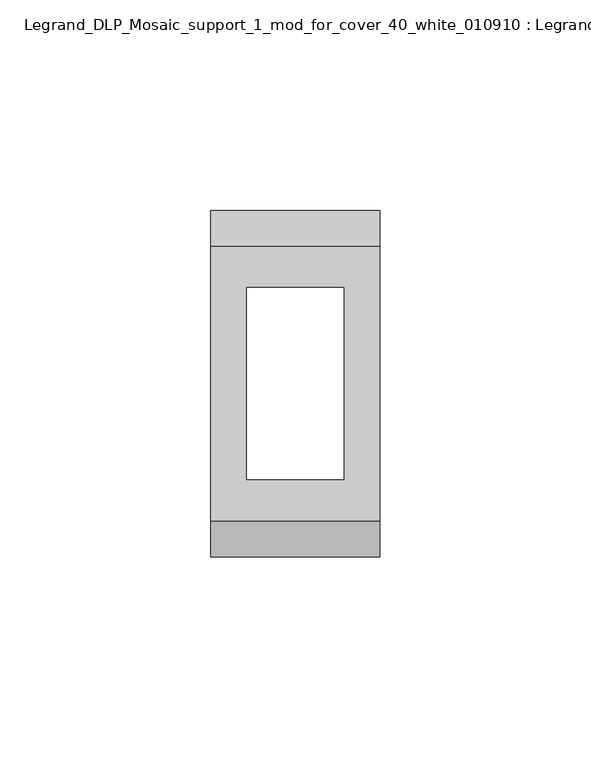
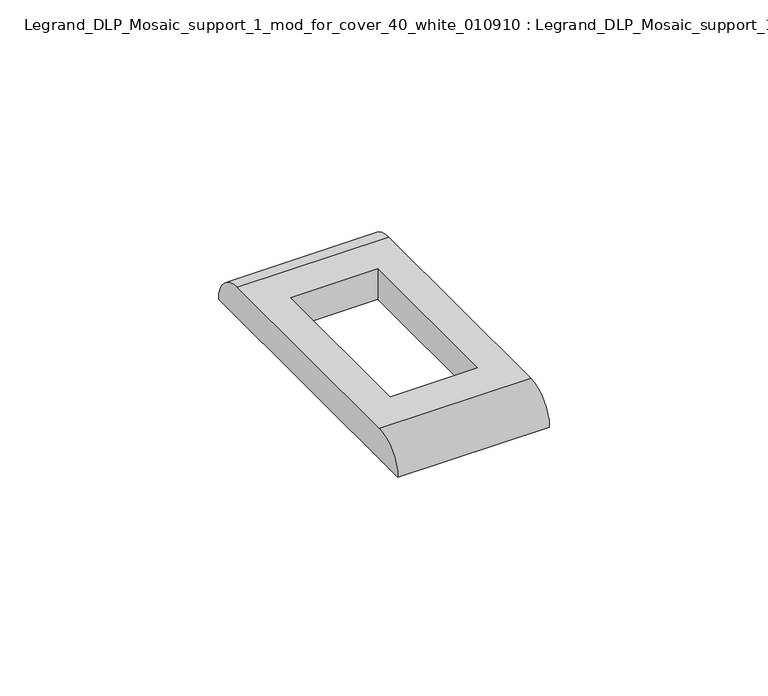
"""IFC4 building model written with IfcOpenShell, lengths in millimetres: proxy geometry, Legrand_DLP_Mosaic_support_1_mod_for_cover_40_white_010910 : Legrand_DLP_Mosaic_support_1_mod_for_cover_40_white_010910."""

import ifcopenshell
import ifcopenshell.guid

model = None  # the IFC model being written
_history = None  # IfcOwnerHistory: only IFC2X3 demands one
_inside = {}  # id of a spatial element -> (the spatial element, [elements in it])
_under = {}  # id of a project, library or spatial element -> (it, [spatial elements below it])
_declared = {}  # id of a project -> (the project, [libraries it declares])
_typed = {}  # id of a type object -> (the type object, [elements of that type])
_made_of = {}  # id of a material, layer set ... -> (it, [elements and type objects made of it])


def new_model(schema):
    """Start an empty IFC model of exactly this schema.

    Asked for "IFC4X3", IfcOpenShell would pick the latest addendum, in which some entities
    have other attributes; the version numbers below select the first issue.
    IFC2X3 requires an IfcOwnerHistory on every rooted entity: one is made here for all.
    """
    global model, _history
    if schema == "IFC4X3":
        model = ifcopenshell.file(schema_version=(4, 3, 0, 0))
    else:
        model = ifcopenshell.file(schema=schema)
    _inside.clear()
    _under.clear()
    _declared.clear()
    _typed.clear()
    _made_of.clear()
    _history = None
    if model.schema == "IFC2X3":
        org = make("IfcOrganization", Name="unknown")
        user = make(
            "IfcPersonAndOrganization",
            ThePerson=make("IfcPerson", FamilyName="unknown"),
            TheOrganization=org,
        )
        app = make(
            "IfcApplication",
            ApplicationDeveloper=org,
            Version="unknown",
            ApplicationFullName="unknown",
            ApplicationIdentifier="unknown",
        )
        _history = make(
            "IfcOwnerHistory",
            OwningUser=user,
            OwningApplication=app,
            ChangeAction="ADDED",
            CreationDate=0,
        )
    return model


def make(cls, **values):
    """One entity of the class cls with the attributes given. An attribute that is None is left unset."""
    return model.create_entity(
        cls, **{name: value for name, value in values.items() if value is not None}
    )


def rooted(cls, **values):
    """An entity with a GlobalId (a new one), such as an element, a storey or a relation."""
    return make(cls, GlobalId=ifcopenshell.guid.new(), OwnerHistory=_history, **values)


def si_unit(unit_type, name, prefix=None):
    """IfcSIUnit, for example si_unit("LENGTHUNIT", "METRE", prefix="MILLI")."""
    return make("IfcSIUnit", UnitType=unit_type, Prefix=prefix, Name=name)


def assignment(units):
    """IfcUnitAssignment: the units of a project."""
    return None if units is None else make("IfcUnitAssignment", Units=units)


def point(xyz):
    """IfcCartesianPoint."""
    return None if xyz is None else make("IfcCartesianPoint", Coordinates=xyz)


def direction(xyz):
    """IfcDirection."""
    return None if xyz is None else make("IfcDirection", DirectionRatios=xyz)


def frame(location, z_axis=None, x_axis=None):
    """IfcAxis2Placement3D, a coordinate frame: its origin and axes. An axis left out is left unset."""
    return make(
        "IfcAxis2Placement3D",
        Location=point(location),
        Axis=direction(z_axis),
        RefDirection=direction(x_axis),
    )


def origin():
    """The frame at (0, 0, 0) with its axes left unset."""
    return frame((0.0, 0.0, 0.0))


def place(relative_to, where):
    """IfcLocalPlacement: puts the frame where relative to a parent placement (None: the world)."""
    return make(
        "IfcLocalPlacement", PlacementRelTo=relative_to, RelativePlacement=where
    )


def context(
    kind, dimensions, precision=None, world=None, true_north=None, identifier=None
):
    """IfcGeometricRepresentationContext, for example the 3D "Model" context."""
    return make(
        "IfcGeometricRepresentationContext",
        ContextIdentifier=identifier,
        ContextType=kind,
        CoordinateSpaceDimension=dimensions,
        Precision=precision,
        WorldCoordinateSystem=world,
        TrueNorth=true_north,
    )


def project(units=None, contexts=None):
    """IfcProject with its units and contexts."""
    return rooted(
        "IfcProject",
        Name="project",
        RepresentationContexts=contexts,
        UnitsInContext=assignment(units),
    )


def spatial(cls, under=None, at=None, **own):
    """A site, building, storey or space (cls), placed at a placement, below another one or the project."""
    s = rooted(cls, ObjectPlacement=at, **own)
    if under is not None:
        _under.setdefault(under.id(), (under, []))[1].append(s)
    return s


def circle_curve(where, radius):
    """IfcCircle in the frame where."""
    return make("IfcCircle", Position=where, Radius=radius)


def shape(context_of_items, identifier, shape_type, items):
    """IfcShapeRepresentation: the items that make up one representation, for example the "Body"."""
    return make(
        "IfcShapeRepresentation",
        ContextOfItems=context_of_items,
        RepresentationIdentifier=identifier,
        RepresentationType=shape_type,
        Items=items,
    )


def source(mapping_origin, context_of_items, identifier, shape_type, items):
    """IfcRepresentationMap: a shape defined once, which mapped items show again and again."""
    return make(
        "IfcRepresentationMap",
        MappingOrigin=mapping_origin,
        MappedRepresentation=shape(context_of_items, identifier, shape_type, items),
    )


def transform(
    local_origin,
    x_axis=None,
    y_axis=None,
    z_axis=None,
    scale=None,
    scale2=None,
    scale3=None,
    uniform=True,
):
    """IfcCartesianTransformationOperator3D, or its non-uniform kind. x_axis, y_axis, z_axis: its Axis1, 2, 3."""
    if uniform:
        return make(
            "IfcCartesianTransformationOperator3D",
            Axis1=direction(x_axis),
            Axis2=direction(y_axis),
            LocalOrigin=point(local_origin),
            Scale=scale,
            Axis3=direction(z_axis),
        )
    return make(
        "IfcCartesianTransformationOperator3DnonUniform",
        Axis1=direction(x_axis),
        Axis2=direction(y_axis),
        LocalOrigin=point(local_origin),
        Scale=scale,
        Axis3=direction(z_axis),
        Scale2=scale2,
        Scale3=scale3,
    )


def mapped(mapping_source, mapping_target):
    """IfcMappedItem: shows the shape of a source again, moved by a transform."""
    return make(
        "IfcMappedItem", MappingSource=mapping_source, MappingTarget=mapping_target
    )


def made_of(thing, what):
    """Note that an element or type object is made of a material, layer set ...; save() writes the relation."""
    if what is not None:
        _made_of.setdefault(what.id(), (what, []))[1].append(thing)
    return thing


def element(
    cls,
    number,
    at=None,
    inside=None,
    cuts=None,
    type_object=None,
    material=None,
    context=None,
    identifier="Body",
    shape_type=None,
    held_by="IfcProductDefinitionShape",
    body=None,
    shapes=None,
    **own,
):
    """One element of the class cls, such as IfcWall. Its Tag is "e" and its number.

    at: its placement. inside: the storey or other place that contains it. cuts: it is an
    opening in that element (IfcRelVoidsElement). A single representation is given by context,
    identifier, shape_type and body (its items); several are given by shapes. held_by: the class
    of the entity that holds the representations. save() writes the other relations.
    """
    e = rooted(cls, Tag="e%d" % number, ObjectPlacement=at, **own)
    if body is not None:
        shapes = [shape(context, identifier, shape_type, body)]
    if shapes is not None:
        e.Representation = make(held_by, Representations=shapes)
    if inside is not None:
        _inside.setdefault(inside.id(), (inside, []))[1].append(e)
    if cuts is not None:
        rooted(
            "IfcRelVoidsElement", RelatingBuildingElement=cuts, RelatedOpeningElement=e
        )
    if type_object is not None:
        _typed.setdefault(type_object.id(), (type_object, []))[1].append(e)
    return made_of(e, material)


def aggregate(whole, parts):
    """IfcRelAggregates: a whole, such as a stair, and the parts it consists of."""
    return rooted("IfcRelAggregates", RelatingObject=whole, RelatedObjects=parts)


def save(model, path):
    """Write the relations noted so far, then the file.

    IfcRelAggregates (storeys below a building ...), IfcRelContainedInSpatialStructure (elements
    in a storey), IfcRelDefinesByType, IfcRelAssociatesMaterial and IfcRelDeclares: one each for
    every whole, place, type object, material and project.
    """
    for whole, parts in _under.values():
        aggregate(whole, parts)
    for where, things in _inside.values():
        rooted(
            "IfcRelContainedInSpatialStructure",
            RelatedElements=things,
            RelatingStructure=where,
        )
    for kind, things in _typed.values():
        rooted("IfcRelDefinesByType", RelatedObjects=things, RelatingType=kind)
    for what, things in _made_of.values():
        rooted("IfcRelAssociatesMaterial", RelatedObjects=things, RelatingMaterial=what)
    for by, libraries in _declared.values():
        rooted("IfcRelDeclares", RelatingContext=by, RelatedDefinitions=libraries)
    model.write(path)


def plane_surface(at):
    """IfcPlane: the flat surface through the origin of the frame at, square to its z axis."""
    return make("IfcPlane", Position=at)


def cylinder_surface(at, radius):
    """IfcCylindricalSurface: all points at the distance radius from the z axis of the frame at."""
    return make("IfcCylindricalSurface", Position=at, Radius=radius)


def advanced_brep(points, edges, surfaces, faces):
    """IfcAdvancedBrep: a solid bounded by faces that lie on surfaces and meet in shared edges.

    An edge is (start, end): straight between two places in points (the first is 0);
    or (start, end, curve); or (start, end, curve, False) where it runs against its curve.
    A face is (place in surfaces, loops), or (place, loops, False) where it looks against
    its surface's normal. A loop lists edges by number (the first is 1), with a minus sign
    where the edge is run from its end to its start. The first loop is the outer one.
    """
    corners = [point(p) for p in points]
    vertices = [make("IfcVertexPoint", VertexGeometry=c) for c in corners]
    made = []
    for start, end, *more in edges:
        made.append(
            make(
                "IfcEdgeCurve",
                EdgeStart=vertices[start],
                EdgeEnd=vertices[end],
                EdgeGeometry=more[0] if more else make("IfcPolyline", Points=[corners[start], corners[end]]),
                SameSense=more[1] if len(more) > 1 else True,
            )
        )
    hull = []
    for where, loops, *sense in faces:
        bounds = []
        for j, loop in enumerate(loops):
            ring = [make("IfcOrientedEdge", EdgeElement=made[abs(k) - 1], Orientation=k > 0) for k in loop]
            bounds.append(
                make(
                    "IfcFaceOuterBound" if j == 0 else "IfcFaceBound",
                    Bound=make("IfcEdgeLoop", EdgeList=ring),
                    Orientation=True,
                )
            )
        hull.append(make("IfcAdvancedFace", Bounds=bounds, FaceSurface=surfaces[where], SameSense=sense[0] if sense else True))
    return make("IfcAdvancedBrep", Outer=make("IfcClosedShell", CfsFaces=hull))


def legrand_dlp_mosaic_support_1_mod_for_cover_40_white_010910_32033af2(model_context):
    return source(origin(), model_context, "Body", "AdvancedBrep", [
        advanced_brep(
        [(20.0, 32.5, 8.5), (-20.0, 32.5, 8.5), (-20.0, -32.5, 8.5), (20.0, -32.5, 8.5), (-11.5, 22.75, 8.5), (11.5, 22.75, 8.5), (11.5, -22.75, 8.5), (-11.5, -22.75, 8.5), (20.0, 41.0, 0.0), (20.0, -41.0, 0.0), (-20.0, -41.0, 0.0), (-20.0, 41.0, 0.0), (11.5, 22.75, 0.0), (-11.5, 22.75, 0.0), (-11.5, -22.75, 0.0), (11.5, -22.75, 0.0)],
        [
            (0, 1),
            (1, 2),
            (2, 3),
            (3, 0),
            (4, 5),
            (5, 6),
            (6, 7),
            (7, 4),
            (8, 9),
            (9, 10),
            (10, 11),
            (11, 8),
            (12, 13),
            (13, 14),
            (14, 15),
            (15, 12),
            (10, 2, circle_curve(frame((-20.0, -32.5, 0.0), z_axis=(-1.0, 0.0, 0.0), x_axis=(0.0, 1.0, 0.0)), 8.5)),
            (1, 11, circle_curve(frame((-20.0, 32.5, 0.0), z_axis=(-1.0, 0.0, 0.0), x_axis=(0.0, -1.0, 0.0)), 8.5)),
            (8, 0, circle_curve(frame((20.0, 32.5, 0.0), z_axis=(1.0, 0.0, 0.0), x_axis=(0.0, -1.0, 0.0)), 8.5)),
            (3, 9, circle_curve(frame((20.0, -32.5, 0.0), z_axis=(1.0, 0.0, 0.0), x_axis=(0.0, 1.0, 0.0)), 8.5)),
            (12, 5),
            (4, 13),
            (7, 14),
            (6, 15),
        ],
        [
            plane_surface(frame((-20.0, 41.0, 8.5), z_axis=(0.0, 0.0, 1.0), x_axis=(0.0, -1.0, 0.0))),
            plane_surface(frame((-20.0, 41.0, 0.0), z_axis=(0.0, 0.0, -1.0), x_axis=(0.0, 1.0, 0.0))),
            plane_surface(frame((-20.0, 41.0, 8.5), z_axis=(-1.0, 0.0, 0.0), x_axis=(0.0, 0.0, -1.0))),
            plane_surface(frame((20.0, -41.0, 8.5), z_axis=(1.0, 0.0, 0.0), x_axis=(0.0, 0.0, -1.0))),
            plane_surface(frame((11.5, 22.75, 30.0), z_axis=(0.0, -1.0, 0.0), x_axis=(0.0, 0.0, -1.0))),
            plane_surface(frame((-11.5, 22.75, 30.0), z_axis=(1.0, 0.0, 0.0), x_axis=(0.0, 0.0, -1.0))),
            plane_surface(frame((-11.5, -22.75, 30.0), z_axis=(0.0, 1.0, 0.0), x_axis=(0.0, 0.0, -1.0))),
            plane_surface(frame((11.5, -22.75, 30.0), z_axis=(-1.0, 0.0, 0.0), x_axis=(0.0, 0.0, -1.0))),
            cylinder_surface(frame((20.0, 32.5, 0.0), z_axis=(-1.0, 0.0, 0.0), x_axis=(0.0, -1.0, 0.0)), 8.5),
            cylinder_surface(frame((20.0, -32.5, 0.0), z_axis=(-1.0, 0.0, 0.0), x_axis=(0.0, 1.0, 0.0)), 8.5),
        ],
        [
            (0, [[1, 2, 3, 4], [5, 6, 7, 8]]),
            (1, [[9, 10, 11, 12], [13, 14, 15, 16]]),
            (2, [[-11, 17, -2, 18]]),
            (3, [[-9, 19, -4, 20]]),
            (4, [[21, -5, 22, -13]]),
            (5, [[-22, -8, 23, -14]]),
            (6, [[-23, -7, 24, -15]]),
            (7, [[-21, -16, -24, -6]]),
            (8, [[-1, -19, -12, -18]]),
            (9, [[-3, -17, -10, -20]]),
        ],
    ),
    ])


if __name__ == "__main__":
    model = new_model("IFC4")
    model_context = context("Model", 3, world=origin())
    ifc_project = project(units=[si_unit("LENGTHUNIT", "METRE", prefix="MILLI")], contexts=[model_context])
    site = spatial("IfcSite", under=ifc_project)
    building = spatial("IfcBuilding", under=site)
    placement = place(None, origin())
    legrand_dlp_mosaic_support_1_mod_for_cover_40_white_010910_shape = legrand_dlp_mosaic_support_1_mod_for_cover_40_white_010910_32033af2(model_context)
    element("IfcBuildingElementProxy", 1, Name="Legrand_DLP_Mosaic_support_1_mod_for_cover_40_white_010910 : Legrand_DLP_Mosaic_support_1_mod_for_cover_40_white_010910", ObjectType="Legrand_DLP_Mosaic_support_1_mod_for_cover_40_white_010910 : Legrand_DLP_Mosaic_support_1_mod_for_cover_40_white_010910", at=placement, inside=building, context=model_context, shape_type="MappedRepresentation", body=[
        mapped(legrand_dlp_mosaic_support_1_mod_for_cover_40_white_010910_shape, transform((0.0, 0.0, 0.0), x_axis=(1.0, 0.0, 0.0), y_axis=(0.0, 1.0, 0.0), z_axis=(0.0, 0.0, 1.0))),
    ])
    save(model, "model.ifc")
